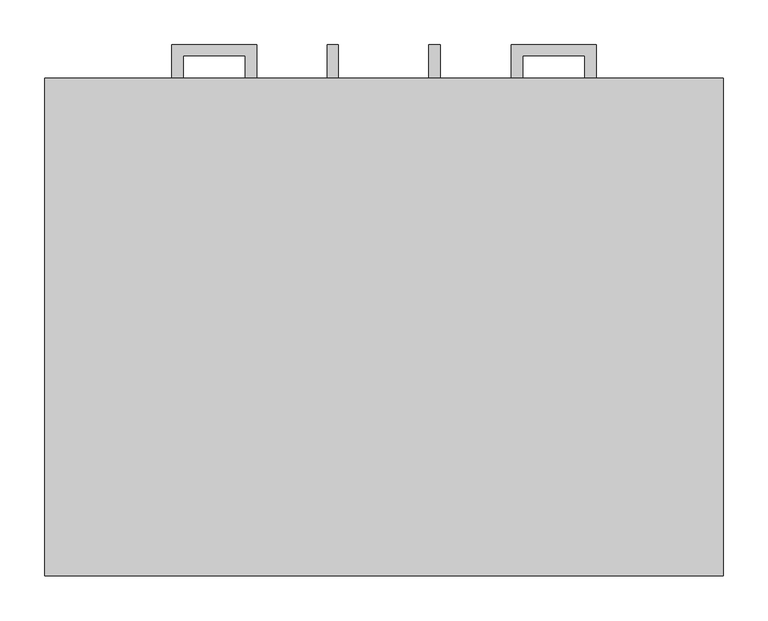
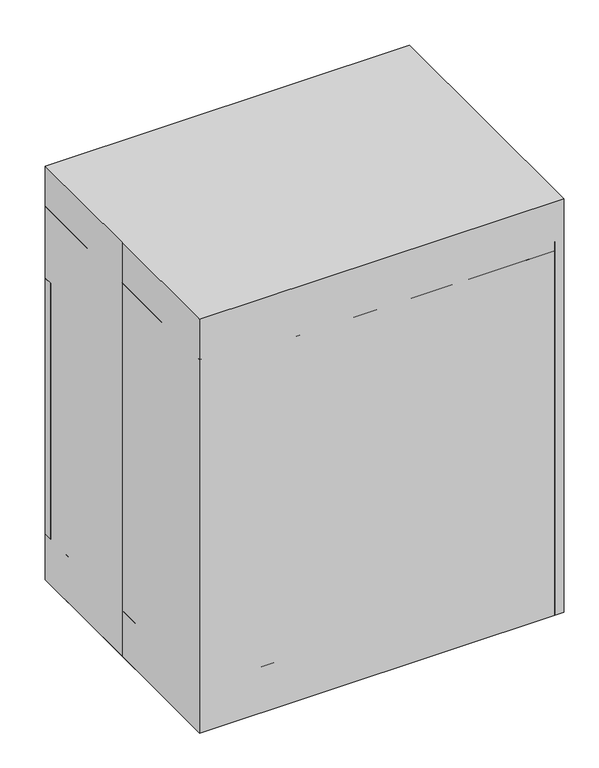
"""IFC4 building model written with IfcOpenShell, lengths in millimetres: proxy geometry."""

from ifc_helpers import new_model, si_unit, frame, origin, origin_with_axes, place, context, project, spatial, polyline, outline, extrude, source, transform, mapped, element, save


def specialty_equipment_0156a28e(model_context):
    return source(origin(), model_context, "Body", "SweptSolid", [
        extrude(outline(polyline([(0.0, 279.4), (0.0, 260.35), (-381.0, 260.35), (-381.0, 279.4), (0.0, 279.4)])), frame((0.0, 0.0, 101.6), z_axis=(0.0, 0.0, 1.0), x_axis=(1.0, 0.0, 0.0)), (0.0, 0.0, 1.0), 565.15),
        extrude(outline(polyline([(-238.125, 317.5), (-142.875, 317.5), (-142.875, 279.4), (-155.5590701, 279.4), (-155.5590701, 304.8159299), (-225.4409299, 304.8159299), (-225.4409299, 279.4), (-238.125, 279.4), (-238.125, 317.5)])), frame((0.0, 0.0, 741.3462383), z_axis=(0.0, 0.0, 1.0), x_axis=(1.0, 0.0, 0.0)), (0.0, 0.0, 1.0), 12.7),
        extrude(outline(polyline([(238.125, 317.5), (238.125, 279.4), (225.4409299, 279.4), (225.4409299, 304.8159299), (155.5590701, 304.8159299), (155.5590701, 279.4), (142.875, 279.4), (142.875, 317.5), (238.125, 317.5)])), frame((0.0, 0.0, 741.3462383), z_axis=(0.0, 0.0, 1.0), x_axis=(1.0, 0.0, 0.0)), (0.0, 0.0, 1.0), 12.7),
        extrude(outline(polyline([(381.0, 279.4), (381.0, 260.35), (0.0, 260.35), (0.0, 279.4), (381.0, 279.4)])), frame((0.0, 0.0, 101.6), z_axis=(0.0, 0.0, 1.0), x_axis=(1.0, 0.0, 0.0)), (0.0, 0.0, 1.0), 565.15),
        extrude(outline(polyline([(317.5, 523.8560937), (279.4, 523.8560937), (279.4, 536.5401637), (304.8159299, 536.5401637), (304.8159299, 606.4220236), (279.4, 606.4220236), (279.4, 619.1060937), (317.5, 619.1060937), (317.5, 523.8560937)])), frame((50.5065288, 0.0, 0.0), z_axis=(1.0, 0.0, 0.0), x_axis=(0.0, 1.0, 0.0)), (0.0, 0.0, 1.0), 12.7),
        extrude(outline(polyline([(317.5, 523.8560937), (279.4, 523.8560937), (279.4, 536.5401637), (304.8159299, 536.5401637), (304.8159299, 606.4220236), (279.4, 606.4220236), (279.4, 619.1060937), (317.5, 619.1060937), (317.5, 523.8560937)])), frame((-63.7934712, 0.0, 0.0), z_axis=(1.0, 0.0, 0.0), x_axis=(0.0, 1.0, 0.0)), (0.0, 0.0, 1.0), 12.7),
        extrude(outline(polyline([(-381.0, -279.4), (-381.0, 0.0), (-381.0, 279.4), (381.0, 279.4), (381.0, -279.4), (-381.0, -279.4)])), origin_with_axes(), (0.0, 0.0, 1.0), 914.4),
        extrude(outline(polyline([(381.0, 279.4), (381.0, 260.35), (0.0, 260.35), (0.0, 279.4), (381.0, 279.4)])), frame((0.0, 0.0, 673.0674767), z_axis=(0.0, 0.0, 1.0), x_axis=(1.0, 0.0, 0.0)), (0.0, 0.0, 1.0), 152.4),
        extrude(outline(polyline([(0.0, 279.4), (0.0, 260.35), (-381.0, 260.35), (-381.0, 279.4), (0.0, 279.4)])), frame((0.0, 0.0, 673.0674767), z_axis=(0.0, 0.0, 1.0), x_axis=(1.0, 0.0, 0.0)), (0.0, 0.0, 1.0), 152.4),
        extrude(outline(polyline([(-381.0, 260.35), (-361.95, 260.35), (-361.95, -279.4), (-381.0, -279.4), (-381.0, 260.35)])), frame((0.0, 0.0, 101.6), z_axis=(0.0, 0.0, 1.0), x_axis=(1.0, 0.0, 0.0)), (0.0, 0.0, 1.0), 723.8674767),
        extrude(outline(polyline([(361.95, 260.35), (381.0, 260.35), (381.0, -279.4), (361.95, -279.4), (361.95, 260.35)])), frame((0.0, 0.0, 101.6), z_axis=(0.0, 0.0, 1.0), x_axis=(1.0, 0.0, 0.0)), (0.0, 0.0, 1.0), 723.8674767),
        extrude(outline(polyline([(381.0, 203.2), (381.0, 184.15), (-381.0, 184.15), (-381.0, 203.2), (381.0, 203.2)])), origin_with_axes(), (0.0, 0.0, 1.0), 101.6),
        extrude(outline(polyline([(-381.0, 184.15), (-361.95, 184.15), (-361.95, -279.4), (-381.0, -279.4), (-381.0, 184.15)])), origin_with_axes(), (0.0, 0.0, 1.0), 101.6),
        extrude(outline(polyline([(361.95, 184.15), (381.0, 184.15), (381.0, -279.4), (361.95, -279.4), (361.95, 184.15)])), origin_with_axes(), (0.0, 0.0, 1.0), 101.6),
        extrude(outline(polyline([(381.0, -260.35), (381.0, -279.4), (-381.0, -279.4), (-381.0, -260.35), (381.0, -260.35)])), origin_with_axes(), (0.0, 0.0, 1.0), 101.6),
        extrude(outline(polyline([(361.95, -260.35), (-361.95, -260.35), (-361.95, 260.35), (361.95, 260.35), (361.95, -260.35)])), frame((0.0, 0.0, 101.6), z_axis=(0.0, 0.0, 1.0), x_axis=(1.0, 0.0, 0.0)), (0.0, 0.0, 1.0), 19.1166954),
        extrude(outline(polyline([(361.95, -260.35), (361.95, -279.4), (-361.95, -279.4), (-361.95, -260.35), (361.95, -260.35)])), frame((0.0, 0.0, 101.6), z_axis=(0.0, 0.0, 1.0), x_axis=(1.0, 0.0, 0.0)), (0.0, 0.0, 1.0), 704.8174767),
    ])


if __name__ == "__main__":
    model = new_model("IFC4")
    model_context = context("Model", 3, world=origin())
    ifc_project = project(units=[si_unit("LENGTHUNIT", "METRE", prefix="MILLI")], contexts=[model_context])
    site = spatial("IfcSite", under=ifc_project)
    building = spatial("IfcBuilding", under=site)
    placement = place(None, origin())
    specialty_equipment_shape = specialty_equipment_0156a28e(model_context)
    element("IfcBuildingElementProxy", 1, Name="Specialty Equipment", at=placement, inside=building, context=model_context, shape_type="MappedRepresentation", body=[
        mapped(specialty_equipment_shape, transform((0.0, 0.0, 0.0), x_axis=(1.0, 0.0, 0.0), y_axis=(0.0, 1.0, 0.0), z_axis=(0.0, 0.0, 1.0))),
    ])
    save(model, "model.ifc")
